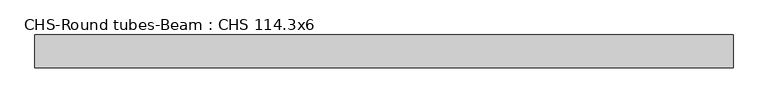
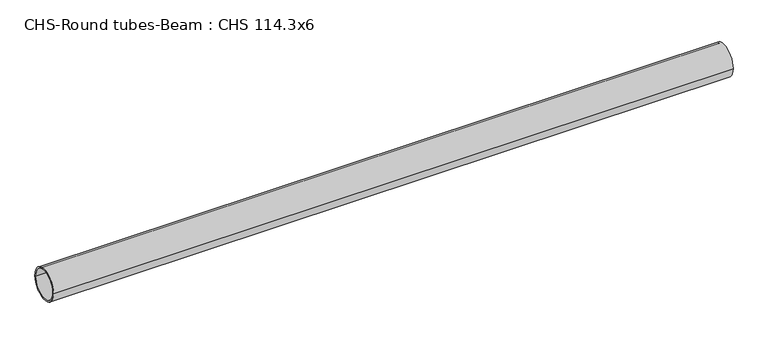
"""IFC4 building model written with IfcOpenShell, lengths in millimetres: beam geometry, CHS-Round tubes-Beam : CHS 114.3x6."""

from ifc_helpers import new_model, si_unit, point, frame, origin, origin_2d, place, context, project, spatial, circle_curve, trimmed, segment, composite_curve, outline, extrude, source, transform, mapped, element, save


def chs_round_tubes_beam_chs_114_3x6_b1b69cb9(model_context):
    return source(origin(), model_context, "Body", "SweptSolid", [
        extrude(outline(composite_curve([segment(trimmed(circle_curve(origin_2d(), 57.15), [point((57.15, 0.0))], [point((-57.15, 0.0))], False, "CARTESIAN"), True, "CONTINUOUS"), segment(trimmed(circle_curve(origin_2d(), 57.15), [point((-57.15, 0.0))], [point((57.15, 0.0))], False, "CARTESIAN"), True, "CONTINUOUS")], self_intersect=False), holes=[composite_curve([segment(trimmed(circle_curve(origin_2d(), 51.15), [point((51.15, 0.0))], [point((-51.15, 0.0))], True, "CARTESIAN"), True, "CONTINUOUS"), segment(trimmed(circle_curve(origin_2d(), 51.15), [point((-51.15, 0.0))], [point((51.15, 0.0))], True, "CARTESIAN"), True, "CONTINUOUS")], self_intersect=False)]), frame((-1205.0781083, 0.0, 0.0), z_axis=(1.0, 0.0, 0.0), x_axis=(0.0, 1.0, 0.0)), (0.0, 0.0, 1.0), 2417.507549),
    ])


if __name__ == "__main__":
    model = new_model("IFC4")
    model_context = context("Model", 3, world=origin())
    ifc_project = project(units=[si_unit("LENGTHUNIT", "METRE", prefix="MILLI")], contexts=[model_context])
    site = spatial("IfcSite", under=ifc_project)
    building = spatial("IfcBuilding", under=site)
    placement = place(None, origin())
    chs_round_tubes_beam_chs_114_3x6_shape = chs_round_tubes_beam_chs_114_3x6_b1b69cb9(model_context)
    element("IfcBeam", 1, ObjectType="CHS-Round tubes-Beam : CHS 114.3x6", at=placement, inside=building, context=model_context, shape_type="MappedRepresentation", body=[
        mapped(chs_round_tubes_beam_chs_114_3x6_shape, transform((0.0, 0.0, 0.0), x_axis=(1.0, 0.0, 0.0), y_axis=(0.0, 1.0, 0.0), z_axis=(0.0, 0.0, 1.0))),
    ])
    save(model, "model.ifc")
